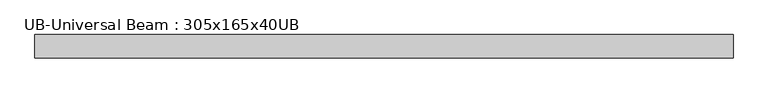
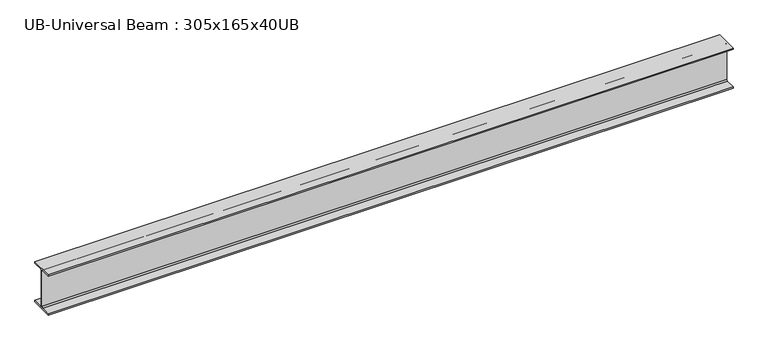
"""IFC4 building model written with IfcOpenShell, lengths in millimetres: beam geometry, UB-Universal Beam : 305x165x40UB."""

from ifc_helpers import new_model, si_unit, point, frame, frame_2d, origin, place, context, project, spatial, polyline, circle_curve, trimmed, segment, composite_curve, outline, extrude, source, transform, mapped, element, save


def ub_universal_beam_305x165x40ub_f1031872(model_context):
    return source(origin(), model_context, "Body", "SweptSolid", [
        extrude(outline(composite_curve([segment(polyline([(82.5, -141.5), (82.5, -151.7), (-82.5, -151.7), (-82.5, -141.5), (-11.9, -141.5)]), True, "CONTINUOUS"), segment(trimmed(circle_curve(frame_2d((-11.9, -132.6)), 8.9), [point((-11.9, -141.5))], [point((-3.0, -132.6))], True, "CARTESIAN"), True, "CONTINUOUS"), segment(polyline([(-3.0, -132.6), (-3.0, 132.6)]), True, "CONTINUOUS"), segment(trimmed(circle_curve(frame_2d((-11.9, 132.6)), 8.9), [point((-3.0, 132.6))], [point((-11.9, 141.5))], True, "CARTESIAN"), True, "CONTINUOUS"), segment(polyline([(-11.9, 141.5), (-82.5, 141.5), (-82.5, 151.7), (82.5, 151.7), (82.5, 141.5), (11.9, 141.5)]), True, "CONTINUOUS"), segment(trimmed(circle_curve(frame_2d((11.9, 132.6)), 8.9), [point((11.9, 141.5))], [point((3.0, 132.6))], True, "CARTESIAN"), True, "CONTINUOUS"), segment(polyline([(3.0, 132.6), (3.0, -132.6)]), True, "CONTINUOUS"), segment(trimmed(circle_curve(frame_2d((11.9, -132.6)), 8.9), [point((3.0, -132.6))], [point((11.9, -141.5))], True, "CARTESIAN"), True, "CONTINUOUS"), segment(polyline([(11.9, -141.5), (82.5, -141.5)]), True, "CONTINUOUS")], self_intersect=False)), frame((-2451.55, 0.0, 0.0), z_axis=(1.0, 0.0, 0.0), x_axis=(0.0, 1.0, 0.0)), (0.0, 0.0, 1.0), 4903.1),
    ])


if __name__ == "__main__":
    model = new_model("IFC4")
    model_context = context("Model", 3, world=origin())
    ifc_project = project(units=[si_unit("LENGTHUNIT", "METRE", prefix="MILLI")], contexts=[model_context])
    site = spatial("IfcSite", under=ifc_project)
    building = spatial("IfcBuilding", under=site)
    placement = place(None, origin())
    ub_universal_beam_305x165x40ub_shape = ub_universal_beam_305x165x40ub_f1031872(model_context)
    element("IfcBeam", 1, ObjectType="UB-Universal Beam : 305x165x40UB", at=placement, inside=building, context=model_context, shape_type="MappedRepresentation", body=[
        mapped(ub_universal_beam_305x165x40ub_shape, transform((0.0, 0.0, 0.0), x_axis=(1.0, 0.0, 0.0), y_axis=(0.0, 1.0, 0.0), z_axis=(0.0, 0.0, 1.0))),
    ])
    save(model, "model.ifc")
